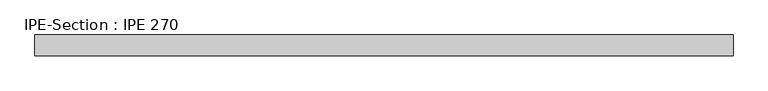
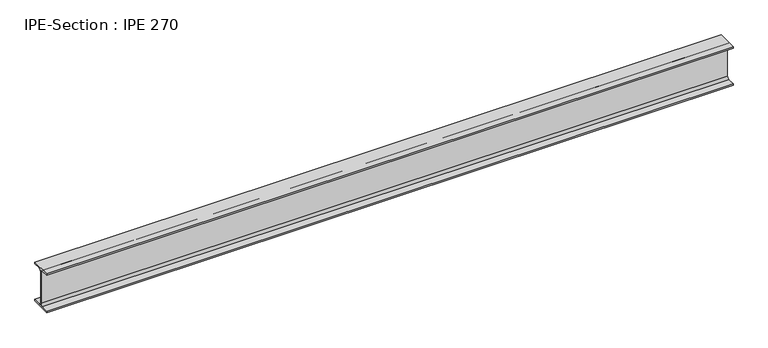
"""IFC4 building model written with IfcOpenShell, lengths in millimetres: beam geometry, IPE-Section : IPE 270."""

from ifc_helpers import new_model, si_unit, point, frame, frame_2d, origin, place, context, project, spatial, polyline, circle_curve, trimmed, segment, composite_curve, outline, extrude, source, transform, mapped, element, save


def ipe_section_ipe_270_b50fe1d5(model_context):
    return source(origin(), model_context, "Body", "SweptSolid", [
        extrude(outline(composite_curve([segment(polyline([(-67.5, -124.8), (-18.3, -124.8)]), True, "CONTINUOUS"), segment(trimmed(circle_curve(frame_2d((-18.3, -109.8)), 15.0), [point((-18.3, -124.8))], [point((-3.3, -109.8))], True, "CARTESIAN"), True, "CONTINUOUS"), segment(polyline([(-3.3, -109.8), (-3.3, 109.8)]), True, "CONTINUOUS"), segment(trimmed(circle_curve(frame_2d((-18.3, 109.8)), 15.0), [point((-3.3, 109.8))], [point((-18.3, 124.8))], True, "CARTESIAN"), True, "CONTINUOUS"), segment(polyline([(-18.3, 124.8), (-67.5, 124.8), (-67.5, 135.0), (67.5, 135.0), (67.5, 124.8), (18.3, 124.8)]), True, "CONTINUOUS"), segment(trimmed(circle_curve(frame_2d((18.3, 109.8)), 15.0), [point((18.3, 124.8))], [point((3.3, 109.8))], True, "CARTESIAN"), True, "CONTINUOUS"), segment(polyline([(3.3, 109.8), (3.3, -109.8)]), True, "CONTINUOUS"), segment(trimmed(circle_curve(frame_2d((18.3, -109.8)), 15.0), [point((3.3, -109.8))], [point((18.3, -124.8))], True, "CARTESIAN"), True, "CONTINUOUS"), segment(polyline([(18.3, -124.8), (67.5, -124.8), (67.5, -135.0), (-67.5, -135.0), (-67.5, -124.8)]), True, "CONTINUOUS")], self_intersect=False)), frame((-2258.5481167, 0.0, 0.0), z_axis=(1.0, 0.0, 0.0), x_axis=(0.0, 1.0, 0.0)), (0.0, 0.0, 1.0), 4532.0962335),
    ])


if __name__ == "__main__":
    model = new_model("IFC4")
    model_context = context("Model", 3, world=origin())
    ifc_project = project(units=[si_unit("LENGTHUNIT", "METRE", prefix="MILLI")], contexts=[model_context])
    site = spatial("IfcSite", under=ifc_project)
    building = spatial("IfcBuilding", under=site)
    placement = place(None, origin())
    ipe_section_ipe_270_shape = ipe_section_ipe_270_b50fe1d5(model_context)
    element("IfcBeam", 1, ObjectType="IPE-Section : IPE 270", at=placement, inside=building, context=model_context, shape_type="MappedRepresentation", body=[
        mapped(ipe_section_ipe_270_shape, transform((0.0, 0.0, 0.0), x_axis=(1.0, 0.0, 0.0), y_axis=(0.0, 1.0, 0.0), z_axis=(0.0, 0.0, 1.0))),
    ])
    save(model, "model.ifc")
